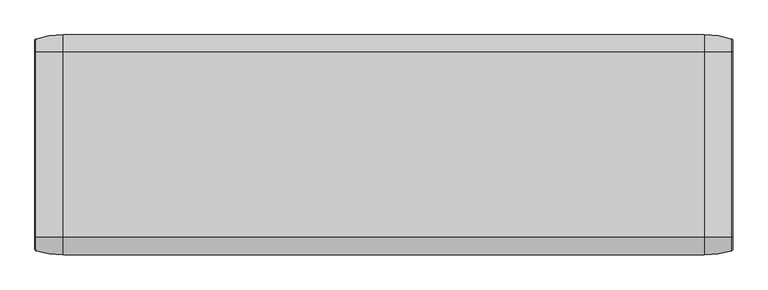
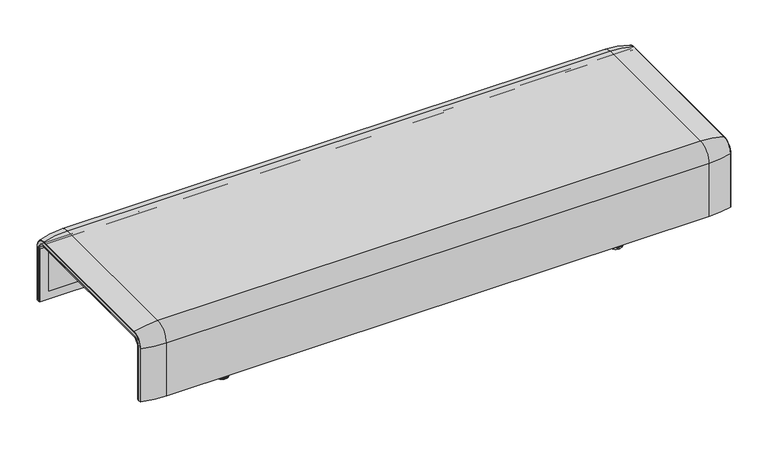
"""IFC4 building model written with IfcOpenShell, lengths in millimetres: furniture geometry."""

from ifc_helpers import new_model, si_unit, point, frame, frame_2d, origin, place, context, project, spatial, polyline, circle_curve, ellipse_curve, trimmed, segment, composite_curve, outline, extrude, source, transform, mapped, element, save
from ifc_brep_helpers import plane_surface, cylinder_surface, revolved_surface, advanced_brep


def furniture_58bf060f(model_context):
    return source(origin(), model_context, "Body", "SolidModel", [
        advanced_brep(
        [(-1223.9718733, -368.7793679, 100.5089435), (-1223.9718733, -357.5, 100.5089435), (1223.9718733, -357.5, 100.5089435), (1223.9718733, -368.7793679, 100.5089435), (1221.8332448, -371.6530483, 100.5089435), (1123.9718733, -386.0043559, 100.5089435), (-1123.9718733, -386.0043559, 100.5089435), (-1221.8332448, -371.6530483, 100.5089435), (-1223.9718733, 368.7793679, 100.5089435), (-1221.8332448, 371.6530483, 100.5089435), (-1123.9718733, 386.0043559, 100.5089435), (1123.9718733, 386.0043559, 100.5089435), (1221.8332448, 371.6530483, 100.5089435), (1223.9718733, 368.7793679, 100.5089435), (1223.9718733, 357.5, 100.5089435), (-1223.9718733, 357.5, 100.5089435), (-1223.9718733, -368.7793679, 333.0583003), (-1223.9718733, -324.3858663, 377.4518019), (-1223.9718733, 324.3858663, 377.4518019), (-1223.9718733, 368.7793679, 333.0583003), (-1223.9718733, 357.5, 333.0583003), (-1223.9718733, 324.3858663, 366.172434), (-1223.9718733, -324.3858663, 366.172434), (-1223.9718733, -357.5, 333.0583003), (1223.9718733, -357.5, 333.0583003), (1123.9718733, -386.0043559, 333.0583003), (-1123.9718733, -386.0043559, 333.0583003), (-1221.8332448, -371.6530483, 333.0583003), (1223.9718733, -324.3858663, 366.172434), (-1123.9718733, -324.3858663, 394.67679), (1123.9718733, -324.3858663, 394.67679), (-1221.8332448, -324.3858663, 380.3254823), (1223.9718733, 324.3858663, 366.172434), (1123.9718733, 324.3858663, 394.67679), (-1123.9718733, 324.3858663, 394.67679), (-1221.8332448, 324.3858663, 380.3254823), (1223.9718733, 357.5, 333.0583003), (-1123.9718733, 386.0043559, 333.0583003), (1123.9718733, 386.0043559, 333.0583003), (-1221.8332448, 371.6530483, 333.0583003), (1223.9718733, 368.7793679, 333.0583003), (1223.9718733, 324.3858663, 377.4518019), (1223.9718733, -324.3858663, 377.4518019), (1223.9718733, -368.7793679, 333.0583003), (1221.8332448, -371.6530483, 333.0583003), (1221.8332448, -324.3858663, 380.3254823), (1221.8332448, 324.3858663, 380.3254823), (1221.8332448, 371.6530483, 333.0583003)],
        [
            (0, 1),
            (1, 2),
            (2, 3),
            (3, 4, circle_curve(frame((1220.9718733, -368.7793679, 100.5089435), z_axis=(0.0, 0.0, -1.0), x_axis=(-1.0, 0.0, 0.0)), 3.0)),
            (4, 5, circle_curve(frame((1123.9718733, -45.1710226, 100.5089435), z_axis=(0.0, 0.0, -1.0), x_axis=(0.0, 1.0, 0.0)), 340.8333333)),
            (5, 6),
            (6, 7, circle_curve(frame((-1123.9718733, -45.1710226, 100.5089435), z_axis=(0.0, 0.0, -1.0), x_axis=(0.0, 1.0, 0.0)), 340.8333333)),
            (7, 0, circle_curve(frame((-1220.9718733, -368.7793679, 100.5089435), z_axis=(0.0, 0.0, -1.0), x_axis=(1.0, 0.0, 0.0)), 3.0)),
            (8, 9, circle_curve(frame((-1220.9718733, 368.7793679, 100.5089435), z_axis=(0.0, 0.0, -1.0), x_axis=(1.0, 0.0, 0.0)), 3.0)),
            (9, 10, circle_curve(frame((-1123.9718733, 45.1710226, 100.5089435), z_axis=(0.0, 0.0, -1.0), x_axis=(0.0, -1.0, 0.0)), 340.8333333)),
            (10, 11),
            (11, 12, circle_curve(frame((1123.9718733, 45.1710226, 100.5089435), z_axis=(0.0, 0.0, -1.0), x_axis=(0.0, -1.0, 0.0)), 340.8333333)),
            (12, 13, circle_curve(frame((1220.9718733, 368.7793679, 100.5089435), z_axis=(0.0, 0.0, -1.0), x_axis=(-1.0, 0.0, 0.0)), 3.0)),
            (13, 14),
            (14, 15),
            (15, 8),
            (0, 16),
            (16, 17, circle_curve(frame((-1223.9718733, -324.3858663, 333.0583003), z_axis=(-1.0, 0.0, 0.0), x_axis=(0.0, -1.0, 0.0)), 44.3935016)),
            (17, 18),
            (18, 19, circle_curve(frame((-1223.9718733, 324.3858663, 333.0583003), z_axis=(-1.0, 0.0, 0.0), x_axis=(0.0, 0.0, 1.0)), 44.3935016)),
            (19, 8),
            (15, 20),
            (20, 21, circle_curve(frame((-1223.9718733, 324.3858663, 333.0583003), z_axis=(1.0, 0.0, 0.0), x_axis=(0.0, 0.0, 1.0)), 33.1141337)),
            (21, 22),
            (22, 23, circle_curve(frame((-1223.9718733, -324.3858663, 333.0583003), z_axis=(1.0, 0.0, 0.0), x_axis=(0.0, -1.0, 0.0)), 33.1141337)),
            (23, 1),
            (23, 24),
            (24, 2),
            (5, 25),
            (25, 26),
            (26, 6),
            (26, 27, circle_curve(frame((-1123.9718733, -45.1710226, 333.0583003), z_axis=(0.0, 0.0, -1.0), x_axis=(0.0, 1.0, 0.0)), 340.8333333)),
            (27, 7),
            (27, 16, circle_curve(frame((-1220.9718733, -368.7793679, 333.0583003), z_axis=(0.0, 0.0, -1.0), x_axis=(1.0, 0.0, 0.0)), 3.0)),
            (28, 24, circle_curve(frame((1223.9718733, -324.3858663, 333.0583003), z_axis=(1.0, 0.0, 0.0), x_axis=(0.0, -1.0, 0.0)), 33.1141337)),
            (22, 28),
            (29, 26, circle_curve(frame((-1123.9718733, -324.3858663, 333.0583003), z_axis=(1.0, 0.0, 0.0), x_axis=(0.0, -1.0, 0.0)), 61.6184897)),
            (25, 30, circle_curve(frame((1123.9718733, -324.3858663, 333.0583003), z_axis=(-1.0, 0.0, 0.0), x_axis=(0.0, -1.0, 0.0)), 61.6184897)),
            (30, 29),
            (31, 27, circle_curve(frame((-1221.8332448, -324.3858663, 333.0583003), z_axis=(1.0, 0.0, 0.0), x_axis=(0.0, -1.0, 0.0)), 47.267182)),
            (29, 31, circle_curve(frame((-1123.9718733, -324.3858663, 53.8434566), z_axis=(0.0, -1.0, 0.0), x_axis=(0.0, 0.0, -1.0)), 340.8333333)),
            (31, 17, circle_curve(frame((-1220.9718733, -324.3858663, 377.4518019), z_axis=(0.0, -1.0, 0.0), x_axis=(1.0, 0.0, 0.0)), 3.0)),
            (21, 32),
            (32, 28),
            (30, 33),
            (33, 34),
            (34, 29),
            (34, 35, circle_curve(frame((-1123.9718733, 324.3858663, 53.8434566), z_axis=(0.0, -1.0, 0.0), x_axis=(0.0, 0.0, -1.0)), 340.8333333)),
            (35, 31),
            (35, 18, circle_curve(frame((-1220.9718733, 324.3858663, 377.4518019), z_axis=(0.0, -1.0, 0.0), x_axis=(1.0, 0.0, 0.0)), 3.0)),
            (36, 32, circle_curve(frame((1223.9718733, 324.3858663, 333.0583003), z_axis=(1.0, 0.0, 0.0), x_axis=(0.0, 0.0, 1.0)), 33.1141337)),
            (20, 36),
            (37, 34, circle_curve(frame((-1123.9718733, 324.3858663, 333.0583003), z_axis=(1.0, 0.0, 0.0), x_axis=(0.0, 0.0, 1.0)), 61.6184897)),
            (33, 38, circle_curve(frame((1123.9718733, 324.3858663, 333.0583003), z_axis=(-1.0, 0.0, 0.0), x_axis=(0.0, 0.0, 1.0)), 61.6184897)),
            (38, 37),
            (39, 35, circle_curve(frame((-1221.8332448, 324.3858663, 333.0583003), z_axis=(1.0, 0.0, 0.0), x_axis=(0.0, 0.0, 1.0)), 47.267182)),
            (37, 39, circle_curve(frame((-1123.9718733, 45.1710226, 333.0583003), z_axis=(0.0, 0.0, 1.0), x_axis=(0.0, -1.0, 0.0)), 340.8333333)),
            (39, 19, circle_curve(frame((-1220.9718733, 368.7793679, 333.0583003), z_axis=(0.0, 0.0, 1.0), x_axis=(1.0, 0.0, 0.0)), 3.0)),
            (14, 36),
            (38, 11),
            (10, 37),
            (9, 39),
            (13, 40),
            (40, 41, circle_curve(frame((1223.9718733, 324.3858663, 333.0583003), z_axis=(1.0, 0.0, 0.0), x_axis=(0.0, 0.0, 1.0)), 44.3935016)),
            (41, 42),
            (42, 43, circle_curve(frame((1223.9718733, -324.3858663, 333.0583003), z_axis=(1.0, 0.0, 0.0), x_axis=(0.0, -1.0, 0.0)), 44.3935016)),
            (43, 3),
            (43, 44, circle_curve(frame((1220.9718733, -368.7793679, 333.0583003), z_axis=(0.0, 0.0, -1.0), x_axis=(-1.0, 0.0, 0.0)), 3.0)),
            (44, 4),
            (44, 25, circle_curve(frame((1123.9718733, -45.1710226, 333.0583003), z_axis=(0.0, 0.0, -1.0), x_axis=(0.0, 1.0, 0.0)), 340.8333333)),
            (45, 44, circle_curve(frame((1221.8332448, -324.3858663, 333.0583003), z_axis=(1.0, 0.0, 0.0), x_axis=(0.0, -1.0, 0.0)), 47.267182)),
            (42, 45, circle_curve(frame((1220.9718733, -324.3858663, 377.4518019), z_axis=(0.0, -1.0, 0.0), x_axis=(-1.0, 0.0, 0.0)), 3.0)),
            (45, 30, circle_curve(frame((1123.9718733, -324.3858663, 53.8434566), z_axis=(0.0, -1.0, 0.0), x_axis=(0.0, 0.0, -1.0)), 340.8333333)),
            (41, 46, circle_curve(frame((1220.9718733, 324.3858663, 377.4518019), z_axis=(0.0, -1.0, 0.0), x_axis=(-1.0, 0.0, 0.0)), 3.0)),
            (46, 45),
            (46, 33, circle_curve(frame((1123.9718733, 324.3858663, 53.8434566), z_axis=(0.0, -1.0, 0.0), x_axis=(0.0, 0.0, -1.0)), 340.8333333)),
            (47, 46, circle_curve(frame((1221.8332448, 324.3858663, 333.0583003), z_axis=(1.0, 0.0, 0.0), x_axis=(0.0, 0.0, 1.0)), 47.267182)),
            (40, 47, circle_curve(frame((1220.9718733, 368.7793679, 333.0583003), z_axis=(0.0, 0.0, 1.0), x_axis=(-1.0, 0.0, 0.0)), 3.0)),
            (47, 38, circle_curve(frame((1123.9718733, 45.1710226, 333.0583003), z_axis=(0.0, 0.0, 1.0), x_axis=(0.0, -1.0, 0.0)), 340.8333333)),
            (12, 47),
        ],
        [
            plane_surface(frame((-1223.9718733, -357.5, 100.5089435), z_axis=(0.0, 0.0, -1.0), x_axis=(1.0, 0.0, 0.0))),
            plane_surface(frame((-1223.9718733, 357.5, 100.5089435), z_axis=(0.0, 0.0, -1.0), x_axis=(1.0, 0.0, 0.0))),
            plane_surface(frame((-1223.9718733, -368.7793679, 100.5089435), z_axis=(-1.0, 0.0, 0.0), x_axis=(0.0, 0.0, 1.0))),
            plane_surface(frame((-1223.9718733, -357.5, 100.5089435), z_axis=(0.0, 1.0, 0.0), x_axis=(0.0, 0.0, 1.0))),
            plane_surface(frame((1123.9718733, -386.0043559, 100.5089435), z_axis=(0.0, -1.0, 0.0), x_axis=(0.0, 0.0, 1.0))),
            cylinder_surface(frame((-1123.9718733, -45.1710226, 100.5089435), z_axis=(0.0, 0.0, -1.0), x_axis=(0.0, 1.0, 0.0)), 340.8333333),
            cylinder_surface(frame((-1220.9718733, -368.7793679, 100.5089435), z_axis=(0.0, 0.0, -1.0), x_axis=(1.0, 0.0, 0.0)), 3.0),
            revolved_surface(polyline([(-1223.9718733, -357.5, 333.0583003), (1223.9718733, -357.5, 333.0583003)]), (-1223.9718733, -324.3858663, 333.0583003), (-1.0, 0.0, 0.0)),
            cylinder_surface(frame((-1223.9718733, -324.3858663, 333.0583003), z_axis=(-1.0, 0.0, 0.0), x_axis=(0.0, -1.0, 0.0)), 61.6184897),
            revolved_surface(trimmed(ellipse_curve(frame((-1123.9718733, -45.1710226, 333.0583003), z_axis=(0.0, 0.0, -1.0), x_axis=(0.0, 1.0, 0.0)), 340.8333333, 340.8333333), [point((-1123.9718733, -386.0043559, 333.0583003))], [point((-1221.8332448, -371.6530483, 333.0583003))], True, "CARTESIAN"), (-1223.9718733, -324.3858663, 333.0583003), (-1.0, 0.0, 0.0)),
            revolved_surface(trimmed(ellipse_curve(frame((-1220.9718733, -368.7793679, 333.0583003), z_axis=(0.0, 0.0, -1.0), x_axis=(1.0, 0.0, 0.0)), 3.0, 3.0), [point((-1221.8332448, -371.6530483, 333.0583003))], [point((-1223.9718733, -368.7793679, 333.0583003))], True, "CARTESIAN"), (-1223.9718733, -324.3858663, 333.0583003), (-1.0, 0.0, 0.0)),
            plane_surface(frame((-1223.9718733, -324.3858663, 366.172434), z_axis=(0.0, 0.0, -1.0), x_axis=(0.0, 1.0, 0.0))),
            plane_surface(frame((1123.9718733, -324.3858663, 394.67679), z_axis=(0.0, 0.0, 1.0), x_axis=(0.0, 1.0, 0.0))),
            cylinder_surface(frame((-1123.9718733, -324.3858663, 53.8434566), z_axis=(0.0, -1.0, 0.0), x_axis=(0.0, 0.0, -1.0)), 340.8333333),
            cylinder_surface(frame((-1220.9718733, -324.3858663, 377.4518019), z_axis=(0.0, -1.0, 0.0), x_axis=(1.0, 0.0, 0.0)), 3.0),
            revolved_surface(polyline([(-1223.9718733, 324.3858663, 366.17243399999995), (1223.9718733, 324.3858663, 366.17243399999995)]), (-1223.9718733, 324.3858663, 333.0583003), (-1.0, 0.0, 0.0)),
            cylinder_surface(frame((-1223.9718733, 324.3858663, 333.0583003), z_axis=(-1.0, 0.0, 0.0), x_axis=(0.0, 0.0, 1.0)), 61.6184897),
            revolved_surface(trimmed(ellipse_curve(frame((-1123.9718733, 324.3858663, 53.8434566), z_axis=(0.0, -1.0, 0.0), x_axis=(0.0, 0.0, -1.0)), 340.8333333, 340.8333333), [point((-1123.9718733, 324.3858663, 394.67679))], [point((-1221.8332448, 324.3858663, 380.3254823))], True, "CARTESIAN"), (-1223.9718733, 324.3858663, 333.0583003), (-1.0, 0.0, 0.0)),
            revolved_surface(trimmed(ellipse_curve(frame((-1220.9718733, 324.3858663, 377.4518019), z_axis=(0.0, -1.0, 0.0), x_axis=(1.0, 0.0, 0.0)), 3.0, 3.0), [point((-1221.8332448, 324.3858663, 380.3254823))], [point((-1223.9718733, 324.3858663, 377.4518019))], True, "CARTESIAN"), (-1223.9718733, 324.3858663, 333.0583003), (-1.0, 0.0, 0.0)),
            plane_surface(frame((-1223.9718733, 357.5, 333.0583003), z_axis=(0.0, -1.0, 0.0), x_axis=(0.0, 0.0, -1.0))),
            plane_surface(frame((1123.9718733, 386.0043559, 333.0583003), z_axis=(0.0, 1.0, 0.0), x_axis=(0.0, 0.0, -1.0))),
            cylinder_surface(frame((-1123.9718733, 45.1710226, 333.0583003), z_axis=(0.0, 0.0, 1.0), x_axis=(0.0, -1.0, 0.0)), 340.8333333),
            cylinder_surface(frame((-1220.9718733, 368.7793679, 333.0583003), z_axis=(0.0, 0.0, 1.0), x_axis=(1.0, 0.0, 0.0)), 3.0),
            plane_surface(frame((1223.9718733, -357.5, 100.5089435), z_axis=(1.0, 0.0, 0.0), x_axis=(0.0, 0.0, 1.0))),
            cylinder_surface(frame((1220.9718733, -368.7793679, 100.5089435), z_axis=(0.0, 0.0, -1.0), x_axis=(-1.0, 0.0, 0.0)), 3.0),
            cylinder_surface(frame((1123.9718733, -45.1710226, 100.5089435), z_axis=(0.0, 0.0, -1.0), x_axis=(0.0, 1.0, 0.0)), 340.8333333),
            revolved_surface(trimmed(ellipse_curve(frame((1220.9718733, -368.7793679, 333.0583003), z_axis=(0.0, 0.0, -1.0), x_axis=(-1.0, 0.0, 0.0)), 3.0, 3.0), [point((1223.9718733, -368.7793679, 333.0583003))], [point((1221.8332448, -371.6530483, 333.0583003))], True, "CARTESIAN"), (-1223.9718733, -324.3858663, 333.0583003), (-1.0, 0.0, 0.0)),
            revolved_surface(trimmed(ellipse_curve(frame((1123.9718733, -45.1710226, 333.0583003), z_axis=(0.0, 0.0, -1.0), x_axis=(0.0, 1.0, 0.0)), 340.8333333, 340.8333333), [point((1221.8332448, -371.6530483, 333.0583003))], [point((1123.9718733, -386.0043559, 333.0583003))], True, "CARTESIAN"), (-1223.9718733, -324.3858663, 333.0583003), (-1.0, 0.0, 0.0)),
            cylinder_surface(frame((1220.9718733, -324.3858663, 377.4518019), z_axis=(0.0, -1.0, 0.0), x_axis=(-1.0, 0.0, 0.0)), 3.0),
            cylinder_surface(frame((1123.9718733, -324.3858663, 53.8434566), z_axis=(0.0, -1.0, 0.0), x_axis=(0.0, 0.0, -1.0)), 340.8333333),
            revolved_surface(trimmed(ellipse_curve(frame((1220.9718733, 324.3858663, 377.4518019), z_axis=(0.0, -1.0, 0.0), x_axis=(-1.0, 0.0, 0.0)), 3.0, 3.0), [point((1223.9718733, 324.3858663, 377.4518019))], [point((1221.8332448, 324.3858663, 380.3254823))], True, "CARTESIAN"), (-1223.9718733, 324.3858663, 333.0583003), (-1.0, 0.0, 0.0)),
            revolved_surface(trimmed(ellipse_curve(frame((1123.9718733, 324.3858663, 53.8434566), z_axis=(0.0, -1.0, 0.0), x_axis=(0.0, 0.0, -1.0)), 340.8333333, 340.8333333), [point((1221.8332448, 324.3858663, 380.3254823))], [point((1123.9718733, 324.3858663, 394.67679))], True, "CARTESIAN"), (-1223.9718733, 324.3858663, 333.0583003), (-1.0, 0.0, 0.0)),
            cylinder_surface(frame((1220.9718733, 368.7793679, 333.0583003), z_axis=(0.0, 0.0, 1.0), x_axis=(-1.0, 0.0, 0.0)), 3.0),
            cylinder_surface(frame((1123.9718733, 45.1710226, 333.0583003), z_axis=(0.0, 0.0, 1.0), x_axis=(0.0, -1.0, 0.0)), 340.8333333),
        ],
        [
            (0, [[1, 2, 3, 4, 5, 6, 7, 8]]),
            (1, [[9, 10, 11, 12, 13, 14, 15, 16]]),
            (2, [[-1, 17, 18, 19, 20, 21, -16, 22, 23, 24, 25, 26]]),
            (3, [[-2, -26, 27, 28]]),
            (4, [[-6, 29, 30, 31]]),
            (5, [[-7, -31, 32, 33]]),
            (6, [[-8, -33, 34, -17]]),
            (7, [[35, -27, -25, 36]]),
            (8, [[37, -30, 38, 39]]),
            (9, [[40, -32, -37, 41]]),
            (10, [[-18, -34, -40, 42]]),
            (11, [[-36, -24, 43, 44]]),
            (12, [[-39, 45, 46, 47]]),
            (13, [[-41, -47, 48, 49]]),
            (14, [[-42, -49, 50, -19]]),
            (15, [[51, -43, -23, 52]]),
            (16, [[53, -46, 54, 55]]),
            (17, [[56, -48, -53, 57]]),
            (18, [[-20, -50, -56, 58]]),
            (19, [[-52, -22, -15, 59]]),
            (20, [[-55, 60, -11, 61]]),
            (21, [[-57, -61, -10, 62]]),
            (22, [[-58, -62, -9, -21]]),
            (23, [[-3, -28, -35, -44, -51, -59, -14, 63, 64, 65, 66, 67]]),
            (24, [[-4, -67, 68, 69]]),
            (25, [[-5, -69, 70, -29]]),
            (26, [[71, -68, -66, 72]]),
            (27, [[-38, -70, -71, 73]]),
            (28, [[-72, -65, 74, 75]]),
            (29, [[-73, -75, 76, -45]]),
            (30, [[77, -74, -64, 78]]),
            (31, [[-54, -76, -77, 79]]),
            (32, [[-78, -63, -13, 80]]),
            (33, [[-79, -80, -12, -60]]),
        ],
    ),
        advanced_brep(
        [(-1223.9718733, 323.7517936, 359.922434), (-1223.9718733, -323.7517936, 359.922434), (-1223.9718733, -351.0, 332.6742277), (-1223.9718733, -351.0, 100.5089435), (-1223.9718733, -357.5, 100.5089435), (-1223.9718733, -357.5, 333.0583003), (-1223.9718733, -324.3858663, 366.172434), (-1223.9718733, 324.3858663, 366.172434), (-1223.9718733, 357.5, 333.0583003), (-1223.9718733, 357.5, 100.5089435), (-1223.9718733, 351.0, 100.5089435), (-1223.9718733, 351.0, 332.6742277), (1223.9718733, 323.7517936, 359.922434), (1223.9718733, 351.0, 332.6742277), (1223.9718733, 351.0, 100.5089435), (1223.9718733, 357.5, 100.5089435), (1223.9718733, 357.5, 333.0583003), (1223.9718733, 324.3858663, 366.172434), (1223.9718733, -324.3858663, 366.172434), (1223.9718733, -357.5, 333.0583003), (1223.9718733, -357.5, 100.5089435), (1223.9718733, -351.0, 100.5089435), (1223.9718733, -351.0, 332.6742277), (1223.9718733, -323.7517936, 359.922434), (-1189.0718733, -324.3858663, 366.172434), (-1189.0718733, 324.3858663, 366.172434), (1189.0718733, 324.3858663, 366.172434), (1189.0718733, -324.3858663, 366.172434), (-1189.0718733, -357.5, 333.0583003), (1189.0718733, -357.5, 333.0583003), (1189.0718733, -357.5, 135.3766997), (-1189.0718733, -357.5, 135.3766997), (-1189.0718733, -351.0, 332.6742277), (-1189.0718733, -351.0, 135.3766997), (1189.0718733, -351.0, 135.3766997), (1189.0718733, -351.0, 332.6742277), (-1189.0718733, -323.7517936, 359.922434), (1189.0718733, -323.7517936, 359.922434), (-1189.0718733, 323.7517936, 359.922434), (1189.0718733, 323.7517936, 359.922434), (-1189.0718733, 357.5, 333.0583003), (1189.0718733, 357.5, 333.0583003), (-1189.0718733, 357.5, 135.3766997), (1189.0718733, 357.5, 135.3766997), (1189.0718733, 351.0, 332.6742277), (1189.0718733, 351.0, 135.3766997), (-1189.0718733, 351.0, 135.3766997), (-1189.0718733, 351.0, 332.6742277)],
        [
            (0, 1),
            (1, 2, circle_curve(frame((-1223.9718733, -323.7517936, 332.6742277), z_axis=(1.0, 0.0, 0.0), x_axis=(0.0, -1.0, 0.0)), 27.2482064)),
            (2, 3),
            (3, 4),
            (4, 5),
            (5, 6, circle_curve(frame((-1223.9718733, -324.3858663, 333.0583003), z_axis=(-1.0, 0.0, 0.0), x_axis=(0.0, -1.0, 0.0)), 33.1141337)),
            (6, 7),
            (7, 8, circle_curve(frame((-1223.9718733, 324.3858663, 333.0583003), z_axis=(-1.0, 0.0, 0.0), x_axis=(0.0, 1.0, 0.0)), 33.1141337)),
            (8, 9),
            (9, 10),
            (10, 11),
            (11, 0, circle_curve(frame((-1223.9718733, 323.7517936, 332.6742277), z_axis=(1.0, 0.0, 0.0), x_axis=(0.0, 1.0, 0.0)), 27.2482064)),
            (12, 13, circle_curve(frame((1223.9718733, 323.7517936, 332.6742277), z_axis=(-1.0, 0.0, 0.0), x_axis=(0.0, 1.0, 0.0)), 27.2482064)),
            (13, 14),
            (14, 15),
            (15, 16),
            (16, 17, circle_curve(frame((1223.9718733, 324.3858663, 333.0583003), z_axis=(1.0, 0.0, 0.0), x_axis=(0.0, 1.0, 0.0)), 33.1141337)),
            (17, 18),
            (18, 19, circle_curve(frame((1223.9718733, -324.3858663, 333.0583003), z_axis=(1.0, 0.0, 0.0), x_axis=(0.0, -1.0, 0.0)), 33.1141337)),
            (19, 20),
            (20, 21),
            (21, 22),
            (22, 23, circle_curve(frame((1223.9718733, -323.7517936, 332.6742277), z_axis=(-1.0, 0.0, 0.0), x_axis=(0.0, -1.0, 0.0)), 27.2482064)),
            (23, 12),
            (6, 24),
            (24, 25),
            (25, 7),
            (17, 26),
            (26, 27),
            (27, 18),
            (5, 28),
            (28, 24, circle_curve(frame((-1189.0718733, -324.3858663, 333.0583003), z_axis=(-1.0, 0.0, 0.0), x_axis=(0.0, -1.0, 0.0)), 33.1141337)),
            (27, 29, circle_curve(frame((1189.0718733, -324.3858663, 333.0583003), z_axis=(1.0, 0.0, 0.0), x_axis=(0.0, -1.0, 0.0)), 33.1141337)),
            (29, 19),
            (4, 20),
            (29, 30),
            (30, 31),
            (31, 28),
            (3, 21),
            (2, 32),
            (32, 33),
            (33, 34),
            (34, 35),
            (35, 22),
            (1, 36),
            (36, 32, circle_curve(frame((-1189.0718733, -323.7517936, 332.6742277), z_axis=(1.0, 0.0, 0.0), x_axis=(0.0, -1.0, 0.0)), 27.2482064)),
            (35, 37, circle_curve(frame((1189.0718733, -323.7517936, 332.6742277), z_axis=(-1.0, 0.0, 0.0), x_axis=(0.0, -1.0, 0.0)), 27.2482064)),
            (37, 23),
            (0, 38),
            (38, 36),
            (37, 39),
            (39, 12),
            (25, 40, circle_curve(frame((-1189.0718733, 324.3858663, 333.0583003), z_axis=(-1.0, 0.0, 0.0), x_axis=(0.0, 1.0, 0.0)), 33.1141337)),
            (40, 8),
            (16, 41),
            (41, 26, circle_curve(frame((1189.0718733, 324.3858663, 333.0583003), z_axis=(1.0, 0.0, 0.0), x_axis=(0.0, 1.0, 0.0)), 33.1141337)),
            (40, 42),
            (42, 43),
            (43, 41),
            (15, 9),
            (14, 10),
            (13, 44),
            (44, 45),
            (45, 46),
            (46, 47),
            (47, 11),
            (47, 38, circle_curve(frame((-1189.0718733, 323.7517936, 332.6742277), z_axis=(1.0, 0.0, 0.0), x_axis=(0.0, 1.0, 0.0)), 27.2482064)),
            (39, 44, circle_curve(frame((1189.0718733, 323.7517936, 332.6742277), z_axis=(-1.0, 0.0, 0.0), x_axis=(0.0, 1.0, 0.0)), 27.2482064)),
            (46, 42),
            (31, 33),
            (34, 30),
            (43, 45),
        ],
        [
            plane_surface(frame((-1223.9718733, -296.9265415, 359.922434), z_axis=(-1.0, 0.0, 0.0), x_axis=(0.0, -1.0, 0.0))),
            plane_surface(frame((1223.9718733, -296.9265415, 359.922434), z_axis=(1.0, 0.0, 0.0), x_axis=(0.0, 1.0, 0.0))),
            plane_surface(frame((-1223.9718733, -324.3858663, 366.172434), z_axis=(0.0, 0.0, 1.0), x_axis=(1.0, 0.0, 0.0))),
            cylinder_surface(frame((1223.9718733, -324.3858663, 333.0583003), z_axis=(-1.0, 0.0, 0.0), x_axis=(0.0, -1.0, 0.0)), 33.1141337),
            plane_surface(frame((-1223.9718733, -357.5, 100.5089435), z_axis=(0.0, -1.0, 0.0), x_axis=(1.0, 0.0, 0.0))),
            plane_surface(frame((-1223.9718733, -351.0, 100.5089435), z_axis=(0.0, 0.0, -1.0), x_axis=(1.0, 0.0, 0.0))),
            plane_surface(frame((-1223.9718733, -351.0, 332.6742277), z_axis=(0.0, 1.0, 0.0), x_axis=(1.0, 0.0, 0.0))),
            revolved_surface(polyline([(-1189.0718733000003, -351.0, 332.6742277), (-1223.9718733, -351.0, 332.6742277)]), (1223.9718733, -323.7517936, 332.6742277), (1.0, 0.0, 0.0)),
            revolved_surface(polyline([(1223.9718733, -351.0, 332.6742277), (1189.0718733, -351.0, 332.6742277)]), (1223.9718733, -323.7517936, 332.6742277), (1.0, 0.0, 0.0)),
            plane_surface(frame((-1223.9718733, 323.7517936, 359.922434), z_axis=(0.0, 0.0, -1.0), x_axis=(1.0, 0.0, 0.0))),
            cylinder_surface(frame((1223.9718733, 324.3858663, 333.0583003), z_axis=(-1.0, 0.0, 0.0), x_axis=(0.0, 1.0, 0.0)), 33.1141337),
            plane_surface(frame((-1223.9718733, 357.5, 333.0583003), z_axis=(0.0, 1.0, 0.0), x_axis=(1.0, 0.0, 0.0))),
            plane_surface(frame((-1223.9718733, 357.5, 100.5089435), z_axis=(0.0, 0.0, -1.0), x_axis=(1.0, 0.0, 0.0))),
            plane_surface(frame((-1223.9718733, 351.0, 100.5089435), z_axis=(0.0, -1.0, 0.0), x_axis=(1.0, 0.0, 0.0))),
            revolved_surface(polyline([(-1189.0718733000003, 351.0, 332.6742277), (-1223.9718733, 351.0, 332.6742277)]), (1223.9718733, 323.7517936, 332.6742277), (1.0, 0.0, 0.0)),
            revolved_surface(polyline([(1223.9718733, 351.0, 332.6742277), (1189.0718733, 351.0, 332.6742277)]), (1223.9718733, 323.7517936, 332.6742277), (1.0, 0.0, 0.0)),
            plane_surface(frame((-1189.0718733, -296.9265415, 359.922434), z_axis=(1.0, 0.0, 0.0), x_axis=(0.0, -1.0, 0.0))),
            plane_surface(frame((1189.0718733, -296.9265415, 359.922434), z_axis=(-1.0, 0.0, 0.0), x_axis=(0.0, 1.0, 0.0))),
            plane_surface(frame((-1189.0718733, -351.0, 135.3766997), z_axis=(0.0, 0.0, 1.0), x_axis=(1.0, 0.0, 0.0))),
            plane_surface(frame((-1189.0718733, 357.5, 135.3766997), z_axis=(0.0, 0.0, 1.0), x_axis=(1.0, 0.0, 0.0))),
        ],
        [
            (0, [[1, 2, 3, 4, 5, 6, 7, 8, 9, 10, 11, 12]]),
            (1, [[13, 14, 15, 16, 17, 18, 19, 20, 21, 22, 23, 24]]),
            (2, [[-7, 25, 26, 27]]),
            (2, [[-18, 28, 29, 30]]),
            (3, [[-6, 31, 32, -25]]),
            (3, [[-19, -30, 33, 34]]),
            (4, [[-5, 35, -20, -34, 36, 37, 38, -31]]),
            (5, [[-4, 39, -21, -35]]),
            (6, [[-3, 40, 41, 42, 43, 44, -22, -39]]),
            (7, [[-2, 45, 46, -40]]),
            (8, [[-23, -44, 47, 48]]),
            (9, [[-1, 49, 50, -45]]),
            (9, [[-24, -48, 51, 52]]),
            (10, [[-8, -27, 53, 54]]),
            (10, [[-17, 55, 56, -28]]),
            (11, [[-9, -54, 57, 58, 59, -55, -16, 60]]),
            (12, [[-10, -60, -15, 61]]),
            (13, [[-11, -61, -14, 62, 63, 64, 65, 66]]),
            (14, [[-12, -66, 67, -49]]),
            (15, [[-13, -52, 68, -62]]),
            (16, [[69, -57, -53, -26, -32, -38, 70, -41, -46, -50, -67, -65]]),
            (17, [[71, -36, -33, -29, -56, -59, 72, -63, -68, -51, -47, -43]]),
            (18, [[-70, -37, -71, -42]]),
            (19, [[-69, -64, -72, -58]]),
        ],
    ),
        extrude(outline(composite_curve([segment(polyline([(323.7517936, 359.922434), (-323.7517936, 359.922434)]), True, "CONTINUOUS"), segment(trimmed(circle_curve(frame_2d((-323.7517936, 332.6742277)), 27.2482064), [point((-323.7517936, 359.922434))], [point((-351.0, 332.6742277))], True, "CARTESIAN"), True, "CONTINUOUS"), segment(polyline([(-351.0, 332.6742277), (-351.0, 135.3766997), (-357.5, 135.3766997), (-357.5, 333.0583003)]), True, "CONTINUOUS"), segment(trimmed(circle_curve(frame_2d((-324.3858663, 333.0583003)), 33.1141337), [point((-357.5, 333.0583003))], [point((-324.3858663, 366.172434))], False, "CARTESIAN"), True, "CONTINUOUS"), segment(polyline([(-324.3858663, 366.172434), (324.3858663, 366.172434)]), True, "CONTINUOUS"), segment(trimmed(circle_curve(frame_2d((324.3858663, 333.0583003)), 33.1141337), [point((324.3858663, 366.172434))], [point((357.5, 333.0583003))], False, "CARTESIAN"), True, "CONTINUOUS"), segment(polyline([(357.5, 333.0583003), (357.5, 135.3766997), (351.0, 135.3766997), (351.0, 332.6742277)]), True, "CONTINUOUS"), segment(trimmed(circle_curve(frame_2d((323.7517936, 332.6742277)), 27.2482064), [point((351.0, 332.6742277))], [point((323.7517936, 359.922434))], True, "CARTESIAN"), True, "CONTINUOUS")], self_intersect=False)), frame((-1189.0718733, 0.0, 0.0), z_axis=(1.0, 0.0, 0.0), x_axis=(0.0, 1.0, 0.0)), (0.0, 0.0, 1.0), 2378.1437465),
        advanced_brep(
        [(815.9812488, -250.0000031, 0.0), (815.9812488, -225.0000031, 0.0), (815.9812488, -275.0000031, 0.0), (815.9812488, -262.4715672, 344.8637637), (815.9812488, -237.5284391, 344.8637637), (815.9812488, -250.0000031, 344.8637637), (815.9812488, -262.4715672, 16.2604994), (815.9812488, -237.5284391, 16.2604994), (815.9812488, -273.2294713, 5.5025953), (815.9812488, -226.770535, 5.5025953), (815.9812488, -275.0000031, 5.5025953), (815.9812488, -225.0000031, 5.5025953)],
        [
            (0, 1),
            (1, 2, circle_curve(frame((815.9812488, -250.0000031, 0.0), z_axis=(0.0, 0.0, -1.0), x_axis=(0.0, 1.0, 0.0)), 25.0)),
            (2, 0),
            (2, 1, circle_curve(frame((815.9812488, -250.0000031, 0.0), z_axis=(0.0, 0.0, -1.0), x_axis=(0.0, 1.0, 0.0)), 25.0)),
            (3, 4, circle_curve(frame((815.9812488, -250.0000031, 344.8637637), z_axis=(0.0, 0.0, 1.0), x_axis=(0.0, 1.0, 0.0)), 12.471564)),
            (4, 5),
            (5, 3),
            (4, 3, circle_curve(frame((815.9812488, -250.0000031, 344.8637637), z_axis=(0.0, 0.0, 1.0), x_axis=(0.0, 1.0, 0.0)), 12.471564)),
            (6, 7, circle_curve(frame((815.9812488, -250.0000031, 16.2604994), z_axis=(0.0, 0.0, 1.0), x_axis=(0.0, 1.0, 0.0)), 12.471564)),
            (7, 4),
            (3, 6),
            (7, 6, circle_curve(frame((815.9812488, -250.0000031, 16.2604994), z_axis=(0.0, 0.0, 1.0), x_axis=(0.0, 1.0, 0.0)), 12.471564)),
            (8, 9, circle_curve(frame((815.9812488, -250.0000031, 5.5025953), z_axis=(0.0, 0.0, 1.0), x_axis=(0.0, 1.0, 0.0)), 23.2294681)),
            (9, 7, circle_curve(frame((815.9812488, -226.770535, 16.2604994), z_axis=(-1.0, 0.0, 0.0), x_axis=(0.0, 1.0, 0.0)), 10.7579041)),
            (6, 8, circle_curve(frame((815.9812488, -273.2294713, 16.2604994), z_axis=(-1.0, 0.0, 0.0), x_axis=(0.0, -1.0, 0.0)), 10.7579041)),
            (9, 8, circle_curve(frame((815.9812488, -250.0000031, 5.5025953), z_axis=(0.0, 0.0, 1.0), x_axis=(0.0, 1.0, 0.0)), 23.2294681)),
            (10, 11, circle_curve(frame((815.9812488, -250.0000031, 5.5025953), z_axis=(0.0, 0.0, 1.0), x_axis=(0.0, 1.0, 0.0)), 25.0)),
            (11, 9),
            (8, 10),
            (11, 10, circle_curve(frame((815.9812488, -250.0000031, 5.5025953), z_axis=(0.0, 0.0, 1.0), x_axis=(0.0, 1.0, 0.0)), 25.0)),
            (1, 11),
            (10, 2),
        ],
        [
            plane_surface(frame((815.9812488, -250.0000031, 0.0), z_axis=(0.0, 0.0, -1.0), x_axis=(0.0, 1.0, 0.0))),
            plane_surface(frame((815.9812488, -250.0000031, 344.8637637), z_axis=(0.0, 0.0, 1.0), x_axis=(0.0, 1.0, 0.0))),
            cylinder_surface(frame((815.9812488, -250.0000031, 344.8637637), z_axis=(0.0, 0.0, -1.0), x_axis=(0.0, 1.0, 0.0)), 12.471564),
            revolved_surface(trimmed(ellipse_curve(frame((815.9812488, -226.770535, 16.2604994), z_axis=(1.0, 0.0, 0.0), x_axis=(0.0, 1.0, 0.0)), 10.7579041, 10.7579041), [point((815.9812488, -237.5284391, 16.2604994))], [point((815.9812488, -226.770535, 5.5025953))], True, "CARTESIAN"), (815.9812488, -250.0000031, 344.8637637), (0.0, 0.0, -1.0)),
            plane_surface(frame((815.9812488, -250.0000031, 5.5025953), z_axis=(0.0, 0.0, 1.0), x_axis=(0.0, 1.0, 0.0))),
            cylinder_surface(frame((815.9812488, -250.0000031, 344.8637637), z_axis=(0.0, 0.0, -1.0), x_axis=(0.0, 1.0, 0.0)), 25.0),
        ],
        [
            (0, [[1, 2, 3]]),
            (0, [[-3, 4, -1]]),
            (1, [[5, 6, 7]]),
            (1, [[8, -7, -6]]),
            (2, [[9, 10, -5, 11]]),
            (2, [[12, -11, -8, -10]]),
            (3, [[13, 14, -9, 15]]),
            (3, [[16, -15, -12, -14]]),
            (4, [[17, 18, -13, 19]]),
            (4, [[20, -19, -16, -18]]),
            (5, [[-2, 21, -17, 22]]),
            (5, [[-4, -22, -20, -21]]),
        ],
    ),
        advanced_brep(
        [(815.9812488, 275.0000031, 0.0), (815.9812488, 225.0000031, 0.0), (815.9812488, 250.0000031, 0.0), (815.9812488, 250.0000031, 344.8637637), (815.9812488, 237.5284391, 344.8637637), (815.9812488, 262.4715672, 344.8637637), (815.9812488, 237.5284391, 16.2604994), (815.9812488, 262.4715672, 16.2604994), (815.9812488, 226.770535, 5.5025953), (815.9812488, 273.2294713, 5.5025953), (815.9812488, 225.0000031, 5.5025953), (815.9812488, 275.0000031, 5.5025953)],
        [
            (0, 1, circle_curve(frame((815.9812488, 250.0000031, 0.0), z_axis=(0.0, 0.0, -1.0), x_axis=(0.0, -1.0, 0.0)), 25.0)),
            (1, 2),
            (2, 0),
            (1, 0, circle_curve(frame((815.9812488, 250.0000031, 0.0), z_axis=(0.0, 0.0, -1.0), x_axis=(0.0, -1.0, 0.0)), 25.0)),
            (3, 4),
            (4, 5, circle_curve(frame((815.9812488, 250.0000031, 344.8637637), z_axis=(0.0, 0.0, 1.0), x_axis=(0.0, -1.0, 0.0)), 12.471564)),
            (5, 3),
            (5, 4, circle_curve(frame((815.9812488, 250.0000031, 344.8637637), z_axis=(0.0, 0.0, 1.0), x_axis=(0.0, -1.0, 0.0)), 12.471564)),
            (4, 6),
            (6, 7, circle_curve(frame((815.9812488, 250.0000031, 16.2604994), z_axis=(0.0, 0.0, 1.0), x_axis=(0.0, -1.0, 0.0)), 12.471564)),
            (7, 5),
            (7, 6, circle_curve(frame((815.9812488, 250.0000031, 16.2604994), z_axis=(0.0, 0.0, 1.0), x_axis=(0.0, -1.0, 0.0)), 12.471564)),
            (6, 8, circle_curve(frame((815.9812488, 226.770535, 16.2604994), z_axis=(-1.0, 0.0, 0.0), x_axis=(0.0, -1.0, 0.0)), 10.7579041)),
            (8, 9, circle_curve(frame((815.9812488, 250.0000031, 5.5025953), z_axis=(0.0, 0.0, 1.0), x_axis=(0.0, -1.0, 0.0)), 23.2294681)),
            (9, 7, circle_curve(frame((815.9812488, 273.2294713, 16.2604994), z_axis=(-1.0, 0.0, 0.0), x_axis=(0.0, 1.0, 0.0)), 10.7579041)),
            (9, 8, circle_curve(frame((815.9812488, 250.0000031, 5.5025953), z_axis=(0.0, 0.0, 1.0), x_axis=(0.0, -1.0, 0.0)), 23.2294681)),
            (8, 10),
            (10, 11, circle_curve(frame((815.9812488, 250.0000031, 5.5025953), z_axis=(0.0, 0.0, 1.0), x_axis=(0.0, -1.0, 0.0)), 25.0)),
            (11, 9),
            (11, 10, circle_curve(frame((815.9812488, 250.0000031, 5.5025953), z_axis=(0.0, 0.0, 1.0), x_axis=(0.0, -1.0, 0.0)), 25.0)),
            (10, 1),
            (0, 11),
        ],
        [
            plane_surface(frame((815.9812488, 250.0000031, 0.0), z_axis=(0.0, 0.0, -1.0), x_axis=(0.0, -1.0, 0.0))),
            plane_surface(frame((815.9812488, 250.0000031, 344.8637637), z_axis=(0.0, 0.0, 1.0), x_axis=(0.0, -1.0, 0.0))),
            cylinder_surface(frame((815.9812488, 250.0000031, 344.8637637), z_axis=(0.0, 0.0, 1.0), x_axis=(0.0, -1.0, 0.0)), 12.471564),
            revolved_surface(trimmed(ellipse_curve(frame((815.9812488, 226.770535, 16.2604994), z_axis=(1.0, 0.0, 0.0), x_axis=(0.0, -1.0, 0.0)), 10.7579041, 10.7579041), [point((815.9812488, 226.770535, 5.5025953))], [point((815.9812488, 237.5284391, 16.2604994))], True, "CARTESIAN"), (815.9812488, 250.0000031, 344.8637637), (0.0, 0.0, 1.0)),
            plane_surface(frame((815.9812488, 250.0000031, 5.5025953), z_axis=(0.0, 0.0, 1.0), x_axis=(0.0, -1.0, 0.0))),
            cylinder_surface(frame((815.9812488, 250.0000031, 344.8637637), z_axis=(0.0, 0.0, 1.0), x_axis=(0.0, -1.0, 0.0)), 25.0),
        ],
        [
            (0, [[1, 2, 3]]),
            (0, [[4, -3, -2]]),
            (1, [[5, 6, 7]]),
            (1, [[-7, 8, -5]]),
            (2, [[-6, 9, 10, 11]]),
            (2, [[-8, -11, 12, -9]]),
            (3, [[-10, 13, 14, 15]]),
            (3, [[-12, -15, 16, -13]]),
            (4, [[-14, 17, 18, 19]]),
            (4, [[-16, -19, 20, -17]]),
            (5, [[-18, 21, -1, 22]]),
            (5, [[-20, -22, -4, -21]]),
        ],
    ),
        advanced_brep(
        [(-815.9812488, -275.0000031, 0.0), (-815.9812488, -225.0000031, 0.0), (-815.9812488, -250.0000031, 0.0), (-815.9812488, -250.0000031, 344.8637637), (-815.9812488, -237.5284391, 344.8637637), (-815.9812488, -262.4715672, 344.8637637), (-815.9812488, -237.5284391, 16.2604994), (-815.9812488, -262.4715672, 16.2604994), (-815.9812488, -226.770535, 5.5025953), (-815.9812488, -273.2294713, 5.5025953), (-815.9812488, -225.0000031, 5.5025953), (-815.9812488, -275.0000031, 5.5025953)],
        [
            (0, 1, circle_curve(frame((-815.9812488, -250.0000031, 0.0), z_axis=(0.0, 0.0, -1.0), x_axis=(0.0, 1.0, 0.0)), 25.0)),
            (1, 2),
            (2, 0),
            (1, 0, circle_curve(frame((-815.9812488, -250.0000031, 0.0), z_axis=(0.0, 0.0, -1.0), x_axis=(0.0, 1.0, 0.0)), 25.0)),
            (3, 4),
            (4, 5, circle_curve(frame((-815.9812488, -250.0000031, 344.8637637), z_axis=(0.0, 0.0, 1.0), x_axis=(0.0, 1.0, 0.0)), 12.471564)),
            (5, 3),
            (5, 4, circle_curve(frame((-815.9812488, -250.0000031, 344.8637637), z_axis=(0.0, 0.0, 1.0), x_axis=(0.0, 1.0, 0.0)), 12.471564)),
            (4, 6),
            (6, 7, circle_curve(frame((-815.9812488, -250.0000031, 16.2604994), z_axis=(0.0, 0.0, 1.0), x_axis=(0.0, 1.0, 0.0)), 12.471564)),
            (7, 5),
            (7, 6, circle_curve(frame((-815.9812488, -250.0000031, 16.2604994), z_axis=(0.0, 0.0, 1.0), x_axis=(0.0, 1.0, 0.0)), 12.471564)),
            (6, 8, circle_curve(frame((-815.9812488, -226.770535, 16.2604994), z_axis=(1.0, 0.0, 0.0), x_axis=(0.0, 1.0, 0.0)), 10.7579041)),
            (8, 9, circle_curve(frame((-815.9812488, -250.0000031, 5.5025953), z_axis=(0.0, 0.0, 1.0), x_axis=(0.0, 1.0, 0.0)), 23.2294681)),
            (9, 7, circle_curve(frame((-815.9812488, -273.2294713, 16.2604994), z_axis=(1.0, 0.0, 0.0), x_axis=(0.0, -1.0, 0.0)), 10.7579041)),
            (9, 8, circle_curve(frame((-815.9812488, -250.0000031, 5.5025953), z_axis=(0.0, 0.0, 1.0), x_axis=(0.0, 1.0, 0.0)), 23.2294681)),
            (8, 10),
            (10, 11, circle_curve(frame((-815.9812488, -250.0000031, 5.5025953), z_axis=(0.0, 0.0, 1.0), x_axis=(0.0, 1.0, 0.0)), 25.0)),
            (11, 9),
            (11, 10, circle_curve(frame((-815.9812488, -250.0000031, 5.5025953), z_axis=(0.0, 0.0, 1.0), x_axis=(0.0, 1.0, 0.0)), 25.0)),
            (10, 1),
            (0, 11),
        ],
        [
            plane_surface(frame((-815.9812488, -250.0000031, 0.0), z_axis=(0.0, 0.0, -1.0), x_axis=(0.0, 1.0, 0.0))),
            plane_surface(frame((-815.9812488, -250.0000031, 344.8637637), z_axis=(0.0, 0.0, 1.0), x_axis=(0.0, 1.0, 0.0))),
            cylinder_surface(frame((-815.9812488, -250.0000031, 344.8637637), z_axis=(0.0, 0.0, 1.0), x_axis=(0.0, 1.0, 0.0)), 12.471564),
            revolved_surface(trimmed(ellipse_curve(frame((-815.9812488, -226.770535, 16.2604994), z_axis=(-1.0, 0.0, 0.0), x_axis=(0.0, 1.0, 0.0)), 10.7579041, 10.7579041), [point((-815.9812488, -226.770535, 5.5025953))], [point((-815.9812488, -237.5284391, 16.2604994))], True, "CARTESIAN"), (-815.9812488, -250.0000031, 344.8637637), (0.0, 0.0, 1.0)),
            plane_surface(frame((-815.9812488, -250.0000031, 5.5025953), z_axis=(0.0, 0.0, 1.0), x_axis=(0.0, 1.0, 0.0))),
            cylinder_surface(frame((-815.9812488, -250.0000031, 344.8637637), z_axis=(0.0, 0.0, 1.0), x_axis=(0.0, 1.0, 0.0)), 25.0),
        ],
        [
            (0, [[1, 2, 3]]),
            (0, [[4, -3, -2]]),
            (1, [[5, 6, 7]]),
            (1, [[-7, 8, -5]]),
            (2, [[-6, 9, 10, 11]]),
            (2, [[-8, -11, 12, -9]]),
            (3, [[-10, 13, 14, 15]]),
            (3, [[-12, -15, 16, -13]]),
            (4, [[-14, 17, 18, 19]]),
            (4, [[-16, -19, 20, -17]]),
            (5, [[-18, 21, -1, 22]]),
            (5, [[-20, -22, -4, -21]]),
        ],
    ),
        advanced_brep(
        [(-815.9812488, 250.0000031, 0.0), (-815.9812488, 225.0000031, 0.0), (-815.9812488, 275.0000031, 0.0), (-815.9812488, 262.4715672, 344.8637637), (-815.9812488, 237.5284391, 344.8637637), (-815.9812488, 250.0000031, 344.8637637), (-815.9812488, 262.4715672, 16.2604994), (-815.9812488, 237.5284391, 16.2604994), (-815.9812488, 273.2294713, 5.5025953), (-815.9812488, 226.770535, 5.5025953), (-815.9812488, 275.0000031, 5.5025953), (-815.9812488, 225.0000031, 5.5025953)],
        [
            (0, 1),
            (1, 2, circle_curve(frame((-815.9812488, 250.0000031, 0.0), z_axis=(0.0, 0.0, -1.0), x_axis=(0.0, -1.0, 0.0)), 25.0)),
            (2, 0),
            (2, 1, circle_curve(frame((-815.9812488, 250.0000031, 0.0), z_axis=(0.0, 0.0, -1.0), x_axis=(0.0, -1.0, 0.0)), 25.0)),
            (3, 4, circle_curve(frame((-815.9812488, 250.0000031, 344.8637637), z_axis=(0.0, 0.0, 1.0), x_axis=(0.0, -1.0, 0.0)), 12.471564)),
            (4, 5),
            (5, 3),
            (4, 3, circle_curve(frame((-815.9812488, 250.0000031, 344.8637637), z_axis=(0.0, 0.0, 1.0), x_axis=(0.0, -1.0, 0.0)), 12.471564)),
            (6, 7, circle_curve(frame((-815.9812488, 250.0000031, 16.2604994), z_axis=(0.0, 0.0, 1.0), x_axis=(0.0, -1.0, 0.0)), 12.471564)),
            (7, 4),
            (3, 6),
            (7, 6, circle_curve(frame((-815.9812488, 250.0000031, 16.2604994), z_axis=(0.0, 0.0, 1.0), x_axis=(0.0, -1.0, 0.0)), 12.471564)),
            (8, 9, circle_curve(frame((-815.9812488, 250.0000031, 5.5025953), z_axis=(0.0, 0.0, 1.0), x_axis=(0.0, -1.0, 0.0)), 23.2294681)),
            (9, 7, circle_curve(frame((-815.9812488, 226.770535, 16.2604994), z_axis=(1.0, 0.0, 0.0), x_axis=(0.0, -1.0, 0.0)), 10.7579041)),
            (6, 8, circle_curve(frame((-815.9812488, 273.2294713, 16.2604994), z_axis=(1.0, 0.0, 0.0), x_axis=(0.0, 1.0, 0.0)), 10.7579041)),
            (9, 8, circle_curve(frame((-815.9812488, 250.0000031, 5.5025953), z_axis=(0.0, 0.0, 1.0), x_axis=(0.0, -1.0, 0.0)), 23.2294681)),
            (10, 11, circle_curve(frame((-815.9812488, 250.0000031, 5.5025953), z_axis=(0.0, 0.0, 1.0), x_axis=(0.0, -1.0, 0.0)), 25.0)),
            (11, 9),
            (8, 10),
            (11, 10, circle_curve(frame((-815.9812488, 250.0000031, 5.5025953), z_axis=(0.0, 0.0, 1.0), x_axis=(0.0, -1.0, 0.0)), 25.0)),
            (1, 11),
            (10, 2),
        ],
        [
            plane_surface(frame((-815.9812488, 250.0000031, 0.0), z_axis=(0.0, 0.0, -1.0), x_axis=(0.0, -1.0, 0.0))),
            plane_surface(frame((-815.9812488, 250.0000031, 344.8637637), z_axis=(0.0, 0.0, 1.0), x_axis=(0.0, -1.0, 0.0))),
            cylinder_surface(frame((-815.9812488, 250.0000031, 344.8637637), z_axis=(0.0, 0.0, -1.0), x_axis=(0.0, -1.0, 0.0)), 12.471564),
            revolved_surface(trimmed(ellipse_curve(frame((-815.9812488, 226.770535, 16.2604994), z_axis=(-1.0, 0.0, 0.0), x_axis=(0.0, -1.0, 0.0)), 10.7579041, 10.7579041), [point((-815.9812488, 237.5284391, 16.2604994))], [point((-815.9812488, 226.770535, 5.5025953))], True, "CARTESIAN"), (-815.9812488, 250.0000031, 344.8637637), (0.0, 0.0, -1.0)),
            plane_surface(frame((-815.9812488, 250.0000031, 5.5025953), z_axis=(0.0, 0.0, 1.0), x_axis=(0.0, -1.0, 0.0))),
            cylinder_surface(frame((-815.9812488, 250.0000031, 344.8637637), z_axis=(0.0, 0.0, -1.0), x_axis=(0.0, -1.0, 0.0)), 25.0),
        ],
        [
            (0, [[1, 2, 3]]),
            (0, [[-3, 4, -1]]),
            (1, [[5, 6, 7]]),
            (1, [[8, -7, -6]]),
            (2, [[9, 10, -5, 11]]),
            (2, [[12, -11, -8, -10]]),
            (3, [[13, 14, -9, 15]]),
            (3, [[16, -15, -12, -14]]),
            (4, [[17, 18, -13, 19]]),
            (4, [[20, -19, -16, -18]]),
            (5, [[-2, 21, -17, 22]]),
            (5, [[-4, -22, -20, -21]]),
        ],
    ),
    ])


if __name__ == "__main__":
    model = new_model("IFC4")
    model_context = context("Model", 3, world=origin())
    ifc_project = project(units=[si_unit("LENGTHUNIT", "METRE", prefix="MILLI")], contexts=[model_context])
    site = spatial("IfcSite", under=ifc_project)
    building = spatial("IfcBuilding", under=site)
    placement = place(None, origin())
    furniture_shape = furniture_58bf060f(model_context)
    element("IfcFurniture", 1, at=placement, inside=building, context=model_context, shape_type="MappedRepresentation", body=[
        mapped(furniture_shape, transform((0.0, 0.0, 0.0), x_axis=(1.0, 0.0, 0.0), y_axis=(0.0, 1.0, 0.0), z_axis=(0.0, 0.0, 1.0))),
    ])
    save(model, "model.ifc")
